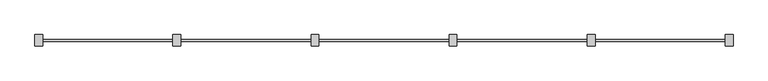
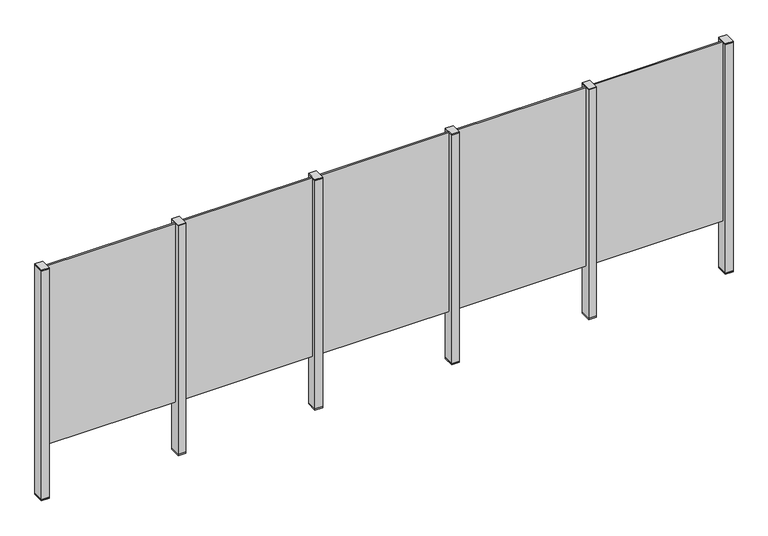
"""IFC4 building model written with IfcOpenShell, lengths in millimetres: railing geometry."""

from ifc_helpers import new_model, si_unit, frame, origin, place, context, project, spatial, polyline, outline, extrude, source, transform, mapped, element, save


def railing_51e860ad(model_context):
    return source(origin(), model_context, "Body", "SweptSolid", [
        extrude(outline(polyline([(81237.0, 7361.9094929), (81237.0, 7371.9094929), (82017.0, 7371.9094929), (82017.0, 7361.9094929), (81237.0, 7361.9094929)])), frame((0.0, 0.0, 95.0), z_axis=(0.0, 0.0, 1.0), x_axis=(1.0, 0.0, 0.0)), (0.0, 0.0, 1.0), 1105.0),
        extrude(outline(polyline([(81249.5, 7400.1846828), (81249.5, 7335.1846828), (81204.5, 7335.1846828), (81204.5, 7400.1846828), (81249.5, 7400.1846828)])), frame((0.0, 0.0, 1200.0), z_axis=(0.0, 0.0, 1.0), x_axis=(1.0, 0.0, 0.0)), (0.0, 0.0, 1.0), 5.0),
        extrude(outline(polyline([(81249.5, 7400.1846828), (81249.5, 7335.1846828), (81204.5, 7335.1846828), (81204.5, 7400.1846828), (81249.5, 7400.1846828)])), frame((0.0, 0.0, -212.0), z_axis=(0.0, 0.0, 1.0), x_axis=(1.0, 0.0, 0.0)), (0.0, 0.0, 1.0), 1412.0),
        extrude(outline(polyline([(81249.5, 7400.1846828), (81249.5, 7335.1846828), (81204.5, 7335.1846828), (81204.5, 7400.1846828), (81249.5, 7400.1846828)])), frame((0.0, 0.0, -220.0), z_axis=(0.0, 0.0, 1.0), x_axis=(1.0, 0.0, 0.0)), (0.0, 0.0, 1.0), 8.0),
        extrude(outline(polyline([(80437.0, 7361.9094929), (80437.0, 7371.9094929), (81217.0, 7371.9094929), (81217.0, 7361.9094929), (80437.0, 7361.9094929)])), frame((0.0, 0.0, 95.0), z_axis=(0.0, 0.0, 1.0), x_axis=(1.0, 0.0, 0.0)), (0.0, 0.0, 1.0), 1105.0),
        extrude(outline(polyline([(80449.5, 7400.1846828), (80449.5, 7335.1846828), (80404.5, 7335.1846828), (80404.5, 7400.1846828), (80449.5, 7400.1846828)])), frame((0.0, 0.0, 1200.0), z_axis=(0.0, 0.0, 1.0), x_axis=(1.0, 0.0, 0.0)), (0.0, 0.0, 1.0), 5.0),
        extrude(outline(polyline([(80449.5, 7400.1846828), (80449.5, 7335.1846828), (80404.5, 7335.1846828), (80404.5, 7400.1846828), (80449.5, 7400.1846828)])), frame((0.0, 0.0, -212.0), z_axis=(0.0, 0.0, 1.0), x_axis=(1.0, 0.0, 0.0)), (0.0, 0.0, 1.0), 1412.0),
        extrude(outline(polyline([(80449.5, 7400.1846828), (80449.5, 7335.1846828), (80404.5, 7335.1846828), (80404.5, 7400.1846828), (80449.5, 7400.1846828)])), frame((0.0, 0.0, -220.0), z_axis=(0.0, 0.0, 1.0), x_axis=(1.0, 0.0, 0.0)), (0.0, 0.0, 1.0), 8.0),
        extrude(outline(polyline([(79637.0, 7361.9094929), (79637.0, 7371.9094929), (80417.0, 7371.9094929), (80417.0, 7361.9094929), (79637.0, 7361.9094929)])), frame((0.0, 0.0, 95.0), z_axis=(0.0, 0.0, 1.0), x_axis=(1.0, 0.0, 0.0)), (0.0, 0.0, 1.0), 1105.0),
        extrude(outline(polyline([(79649.5, 7400.1846828), (79649.5, 7335.1846828), (79604.5, 7335.1846828), (79604.5, 7400.1846828), (79649.5, 7400.1846828)])), frame((0.0, 0.0, 1200.0), z_axis=(0.0, 0.0, 1.0), x_axis=(1.0, 0.0, 0.0)), (0.0, 0.0, 1.0), 5.0),
        extrude(outline(polyline([(79649.5, 7400.1846828), (79649.5, 7335.1846828), (79604.5, 7335.1846828), (79604.5, 7400.1846828), (79649.5, 7400.1846828)])), frame((0.0, 0.0, -212.0), z_axis=(0.0, 0.0, 1.0), x_axis=(1.0, 0.0, 0.0)), (0.0, 0.0, 1.0), 1412.0),
        extrude(outline(polyline([(79649.5, 7400.1846828), (79649.5, 7335.1846828), (79604.5, 7335.1846828), (79604.5, 7400.1846828), (79649.5, 7400.1846828)])), frame((0.0, 0.0, -220.0), z_axis=(0.0, 0.0, 1.0), x_axis=(1.0, 0.0, 0.0)), (0.0, 0.0, 1.0), 8.0),
        extrude(outline(polyline([(78837.0, 7361.9094929), (78837.0, 7371.9094929), (79617.0, 7371.9094929), (79617.0, 7361.9094929), (78837.0, 7361.9094929)])), frame((0.0, 0.0, 95.0), z_axis=(0.0, 0.0, 1.0), x_axis=(1.0, 0.0, 0.0)), (0.0, 0.0, 1.0), 1105.0),
        extrude(outline(polyline([(78849.5, 7400.1846828), (78849.5, 7335.1846828), (78804.5, 7335.1846828), (78804.5, 7400.1846828), (78849.5, 7400.1846828)])), frame((0.0, 0.0, 1200.0), z_axis=(0.0, 0.0, 1.0), x_axis=(1.0, 0.0, 0.0)), (0.0, 0.0, 1.0), 5.0),
        extrude(outline(polyline([(78849.5, 7400.1846828), (78849.5, 7335.1846828), (78804.5, 7335.1846828), (78804.5, 7400.1846828), (78849.5, 7400.1846828)])), frame((0.0, 0.0, -212.0), z_axis=(0.0, 0.0, 1.0), x_axis=(1.0, 0.0, 0.0)), (0.0, 0.0, 1.0), 1412.0),
        extrude(outline(polyline([(78849.5, 7400.1846828), (78849.5, 7335.1846828), (78804.5, 7335.1846828), (78804.5, 7400.1846828), (78849.5, 7400.1846828)])), frame((0.0, 0.0, -220.0), z_axis=(0.0, 0.0, 1.0), x_axis=(1.0, 0.0, 0.0)), (0.0, 0.0, 1.0), 8.0),
        extrude(outline(polyline([(78037.0, 7361.9094929), (78037.0, 7371.9094929), (78817.0, 7371.9094929), (78817.0, 7361.9094929), (78037.0, 7361.9094929)])), frame((0.0, 0.0, 95.0), z_axis=(0.0, 0.0, 1.0), x_axis=(1.0, 0.0, 0.0)), (0.0, 0.0, 1.0), 1105.0),
        extrude(outline(polyline([(82049.5, 7400.1846828), (82049.5, 7335.1846828), (82004.5, 7335.1846828), (82004.5, 7400.1846828), (82049.5, 7400.1846828)])), frame((0.0, 0.0, 1200.0), z_axis=(0.0, 0.0, 1.0), x_axis=(1.0, 0.0, 0.0)), (0.0, 0.0, 1.0), 5.0),
        extrude(outline(polyline([(82049.5, 7400.1846828), (82049.5, 7335.1846828), (82004.5, 7335.1846828), (82004.5, 7400.1846828), (82049.5, 7400.1846828)])), frame((0.0, 0.0, -212.0), z_axis=(0.0, 0.0, 1.0), x_axis=(1.0, 0.0, 0.0)), (0.0, 0.0, 1.0), 1412.0),
        extrude(outline(polyline([(82049.5, 7400.1846828), (82049.5, 7335.1846828), (82004.5, 7335.1846828), (82004.5, 7400.1846828), (82049.5, 7400.1846828)])), frame((0.0, 0.0, -220.0), z_axis=(0.0, 0.0, 1.0), x_axis=(1.0, 0.0, 0.0)), (0.0, 0.0, 1.0), 8.0),
        extrude(outline(polyline([(78049.5, 7400.1846828), (78049.5, 7335.1846828), (78004.5, 7335.1846828), (78004.5, 7400.1846828), (78049.5, 7400.1846828)])), frame((0.0, 0.0, 1200.0), z_axis=(0.0, 0.0, 1.0), x_axis=(1.0, 0.0, 0.0)), (0.0, 0.0, 1.0), 5.0),
        extrude(outline(polyline([(78049.5, 7400.1846828), (78049.5, 7335.1846828), (78004.5, 7335.1846828), (78004.5, 7400.1846828), (78049.5, 7400.1846828)])), frame((0.0, 0.0, -212.0), z_axis=(0.0, 0.0, 1.0), x_axis=(1.0, 0.0, 0.0)), (0.0, 0.0, 1.0), 1412.0),
        extrude(outline(polyline([(78049.5, 7400.1846828), (78049.5, 7335.1846828), (78004.5, 7335.1846828), (78004.5, 7400.1846828), (78049.5, 7400.1846828)])), frame((0.0, 0.0, -220.0), z_axis=(0.0, 0.0, 1.0), x_axis=(1.0, 0.0, 0.0)), (0.0, 0.0, 1.0), 8.0),
    ])


if __name__ == "__main__":
    model = new_model("IFC4")
    model_context = context("Model", 3, world=origin())
    ifc_project = project(units=[si_unit("LENGTHUNIT", "METRE", prefix="MILLI")], contexts=[model_context])
    site = spatial("IfcSite", under=ifc_project)
    building = spatial("IfcBuilding", under=site)
    placement = place(None, origin())
    railing_shape = railing_51e860ad(model_context)
    element("IfcRailing", 1, at=placement, inside=building, context=model_context, shape_type="MappedRepresentation", body=[
        mapped(railing_shape, transform((0.0, 0.0, 0.0), x_axis=(1.0, 0.0, 0.0), y_axis=(0.0, 1.0, 0.0), z_axis=(0.0, 0.0, 1.0))),
    ])
    save(model, "model.ifc")
